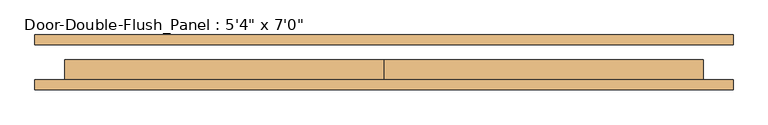
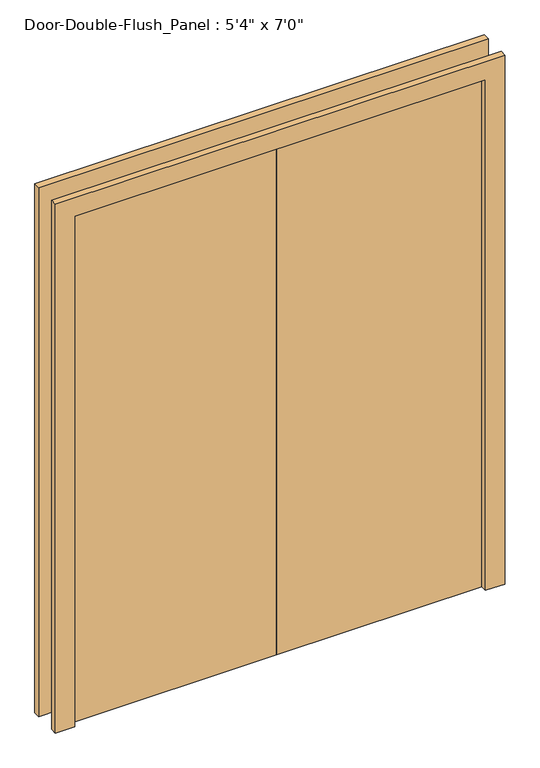
"""IFC4 building model written with IfcOpenShell, lengths in millimetres: door geometry."""

from ifc_helpers import new_model, si_unit, frame, origin, origin_with_axes, place, context, project, spatial, polyline, outline, extrude, source, transform, mapped, element, save


def door_a3fdc3b2(model_context):
    return source(origin(), model_context, "Body", "SweptSolid", [
        extrude(outline(polyline([(2133.6, -812.8), (2133.6, 812.8), (0.0, 812.8), (0.0, 889.0), (2209.8, 889.0), (2209.8, -889.0), (0.0, -889.0), (0.0, -812.8), (2133.6, -812.8)])), frame((0.0, 44.45, 0.0), z_axis=(0.0, 1.0, 0.0), x_axis=(0.0, 0.0, 1.0)), (0.0, 0.0, 1.0), 25.4),
        extrude(outline(polyline([(2133.6, -812.8), (2133.6, 812.8), (0.0, 812.8), (0.0, 889.0), (2209.8, 889.0), (2209.8, -889.0), (0.0, -889.0), (0.0, -812.8), (2133.6, -812.8)])), frame((0.0, -69.85, 0.0), z_axis=(0.0, 1.0, 0.0), x_axis=(0.0, 0.0, 1.0)), (0.0, 0.0, 1.0), 25.4),
        extrude(outline(polyline([(0.0, -44.45), (0.0, 6.35), (812.8, 6.35), (812.8, -44.45), (0.0, -44.45)])), origin_with_axes(), (0.0, 0.0, 1.0), 2133.6),
        extrude(outline(polyline([(-812.8, -44.45), (-812.8, 6.35), (0.0, 6.35), (0.0, -44.45), (-812.8, -44.45)])), origin_with_axes(), (0.0, 0.0, 1.0), 2133.6),
    ])


if __name__ == "__main__":
    model = new_model("IFC4")
    model_context = context("Model", 3, world=origin())
    ifc_project = project(units=[si_unit("LENGTHUNIT", "METRE", prefix="MILLI")], contexts=[model_context])
    site = spatial("IfcSite", under=ifc_project)
    building = spatial("IfcBuilding", under=site)
    placement = place(None, origin())
    door_shape = door_a3fdc3b2(model_context)
    element("IfcDoor", 1, ObjectType="Door-Double-Flush_Panel : 5'4\" x 7'0\"", at=placement, inside=building, context=model_context, shape_type="MappedRepresentation", body=[
        mapped(door_shape, transform((0.0, 0.0, 0.0), x_axis=(1.0, 0.0, 0.0), y_axis=(0.0, 1.0, 0.0), z_axis=(0.0, 0.0, 1.0))),
    ])
    save(model, "model.ifc")
